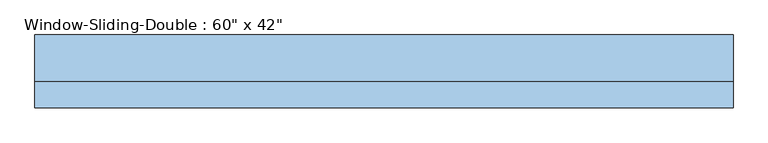
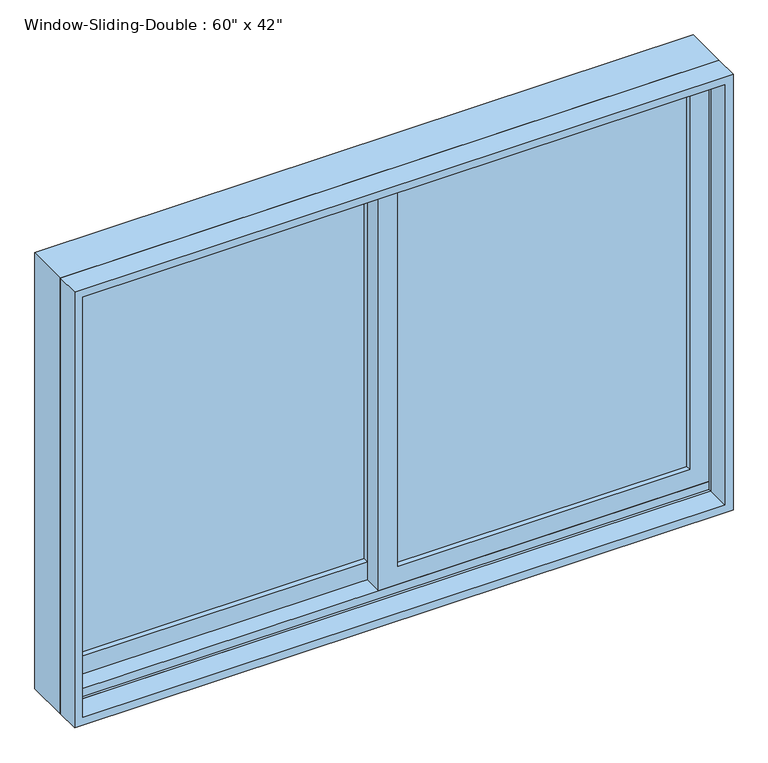
"""IFC4 building model written with IfcOpenShell, lengths in millimetres: window geometry."""

from ifc_helpers import new_model, si_unit, frame, origin, place, context, project, spatial, polyline, outline, extrude, faceted_brep, source, transform, mapped, element, save


def window_4b1831a7(model_context):
    return source(origin(), model_context, "Body", "SolidModel", [
        faceted_brep([(-762.0, -16.51, 914.4), (-762.0, 85.09, 914.4), (762.0, 85.09, 914.4), (762.0, -16.51, 914.4), (-721.0778905, 85.09, 1940.2778905), (-721.0778905, 78.74, 1940.2778905), (-721.0778905, 78.74, 933.45), (-721.0778905, 85.09, 933.45), (721.0778905, 78.74, 1940.2778905), (721.0778905, 78.74, 933.45), (742.95, 78.74, 933.45), (742.95, 78.74, 1962.15), (-742.95, 78.74, 1962.15), (-742.95, 78.74, 933.45), (-742.95, -16.51, 1962.15), (-742.95, -16.51, 933.45), (-742.95, -10.16, 933.45), (-742.95, -10.16, 952.5), (-742.95, 34.29, 952.5), (-742.95, 34.29, 933.45), (762.0, -16.51, 1981.2), (-762.0, -16.51, 1981.2), (742.95, -16.51, 1962.15), (742.95, -16.51, 933.45), (-762.0, 85.09, 1981.2), (762.0, 85.09, 1981.2), (721.0778905, 85.09, 933.45), (721.0778905, 85.09, 1940.2778905), (742.95, 34.29, 933.45), (742.95, 34.29, 952.5), (742.95, -10.16, 952.5), (742.95, -10.16, 933.45)], [[[0, 1, 2, 3]], [[4, 5, 6, 7]], [[5, 8, 9, 10, 11, 12, 13, 6]], [[12, 14, 15, 16, 17, 18, 19, 13]], [[0, 3, 20, 21], [22, 23, 15, 14]], [[24, 1, 0, 21]], [[2, 1, 24, 25], [4, 7, 26, 27]], [[5, 4, 27, 8]], [[12, 11, 22, 14]], [[21, 20, 25, 24]], [[8, 27, 26, 9]], [[22, 11, 10, 28, 29, 30, 31, 23]], [[20, 3, 2, 25]], [[26, 7, 6, 13, 19, 28, 10, 9]], [[28, 19, 18, 29]], [[29, 18, 17, 30]], [[30, 17, 16, 31]], [[15, 23, 31, 16]]]),
        extrude(outline(polyline([(1981.2, -762.0), (914.4, -762.0), (914.4, 762.0), (1981.2, 762.0), (1981.2, -762.0)]), holes=[polyline([(1962.15, 742.95), (933.45, 742.95), (933.45, -742.95), (1962.15, -742.95), (1962.15, 742.95)])]), frame((0.0, -73.66, 0.0), z_axis=(0.0, 1.0, 0.0), x_axis=(0.0, 0.0, 1.0)), (0.0, 0.0, 1.0), 57.15),
        extrude(outline(polyline([(698.5, 21.59), (698.5, 15.24), (22.225, 15.24), (22.225, 21.59), (698.5, 21.59)])), frame((0.0, 0.0, 996.95), z_axis=(0.0, 0.0, 1.0), x_axis=(1.0, 0.0, 0.0)), (0.0, 0.0, 1.0), 920.75),
        extrude(outline(polyline([(698.5, 8.89), (698.5, 2.54), (22.225, 2.54), (22.225, 8.89), (698.5, 8.89)])), frame((0.0, 0.0, 996.95), z_axis=(0.0, 0.0, 1.0), x_axis=(1.0, 0.0, 0.0)), (0.0, 0.0, 1.0), 920.75),
        extrude(outline(polyline([(-22.225, 66.04), (-22.225, 59.69), (-698.5, 59.69), (-698.5, 66.04), (-22.225, 66.04)])), frame((0.0, 0.0, 996.95), z_axis=(0.0, 0.0, 1.0), x_axis=(1.0, 0.0, 0.0)), (0.0, 0.0, 1.0), 920.75),
        extrude(outline(polyline([(-22.225, 53.34), (-22.225, 46.99), (-698.5, 46.99), (-698.5, 53.34), (-22.225, 53.34)])), frame((0.0, 0.0, 996.95), z_axis=(0.0, 0.0, 1.0), x_axis=(1.0, 0.0, 0.0)), (0.0, 0.0, 1.0), 920.75),
        extrude(outline(polyline([(933.45, -742.95), (933.45, 22.225), (1962.15, 22.225), (1962.15, -742.95), (933.45, -742.95)]), holes=[polyline([(1917.7, -22.225), (996.95, -22.225), (996.95, -698.5), (1917.7, -698.5), (1917.7, -22.225)])]), frame((0.0, 34.29, 0.0), z_axis=(0.0, 1.0, 0.0), x_axis=(0.0, 0.0, 1.0)), (0.0, 0.0, 1.0), 44.45),
        extrude(outline(polyline([(952.5, 742.95), (1962.15, 742.95), (1962.15, -22.225), (952.5, -22.225), (952.5, 742.95)]), holes=[polyline([(996.95, 22.225), (1917.7, 22.225), (1917.7, 698.5), (996.95, 698.5), (996.95, 22.225)])]), frame((0.0, -10.16, 0.0), z_axis=(0.0, 1.0, 0.0), x_axis=(0.0, 0.0, 1.0)), (0.0, 0.0, 1.0), 44.45),
    ])


if __name__ == "__main__":
    model = new_model("IFC4")
    model_context = context("Model", 3, world=origin())
    ifc_project = project(units=[si_unit("LENGTHUNIT", "METRE", prefix="MILLI")], contexts=[model_context])
    site = spatial("IfcSite", under=ifc_project)
    building = spatial("IfcBuilding", under=site)
    placement = place(None, origin())
    window_shape = window_4b1831a7(model_context)
    element("IfcWindow", 1, ObjectType="Window-Sliding-Double : 60\" x 42\"", at=placement, inside=building, context=model_context, shape_type="MappedRepresentation", body=[
        mapped(window_shape, transform((0.0, 0.0, 0.0), x_axis=(1.0, 0.0, 0.0), y_axis=(0.0, 1.0, 0.0), z_axis=(0.0, 0.0, 1.0))),
    ])
    save(model, "model.ifc")
